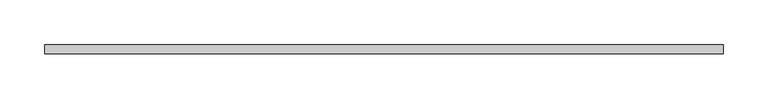
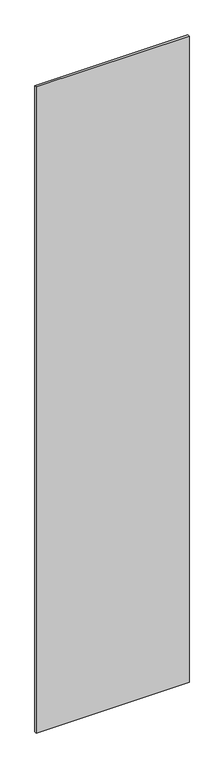
"""IFC4 building model written with IfcOpenShell, lengths in millimetres: plate geometry."""

from ifc_helpers import new_model, si_unit, origin, origin_with_axes, place, context, project, spatial, polyline, outline, extrude, source, transform, mapped, element, save


def plate_d9257b88(model_context):
    return source(origin(), model_context, "Body", "SweptSolid", [
        extrude(outline(polyline([(380.0, -5.0), (-380.0, -5.0), (-380.0, 5.0), (380.0, 5.0), (380.0, -5.0)])), origin_with_axes(), (0.0, 0.0, 1.0), 3395.0),
    ])


if __name__ == "__main__":
    model = new_model("IFC4")
    model_context = context("Model", 3, world=origin())
    ifc_project = project(units=[si_unit("LENGTHUNIT", "METRE", prefix="MILLI")], contexts=[model_context])
    site = spatial("IfcSite", under=ifc_project)
    building = spatial("IfcBuilding", under=site)
    placement = place(None, origin())
    plate_shape = plate_d9257b88(model_context)
    element("IfcPlate", 1, at=placement, inside=building, context=model_context, shape_type="MappedRepresentation", body=[
        mapped(plate_shape, transform((0.0, 0.0, 0.0), x_axis=(1.0, 0.0, 0.0), y_axis=(0.0, 1.0, 0.0), z_axis=(0.0, 0.0, 1.0))),
    ])
    save(model, "model.ifc")
